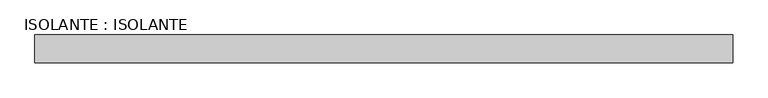
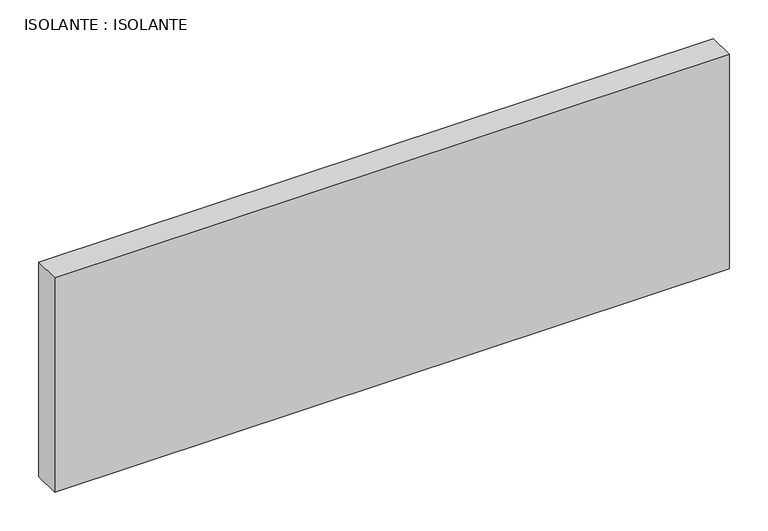
"""IFC4 building model written with IfcOpenShell, lengths in millimetres: plate geometry, ISOLANTE : ISOLANTE."""

from ifc_helpers import new_model, si_unit, origin, origin_with_axes, place, context, project, spatial, polyline, outline, extrude, source, transform, mapped, element, save


def isolante_isolante_895ae26b(model_context):
    return source(origin(), model_context, "Body", "SweptSolid", [
        extrude(outline(polyline([(-500.0, 0.0), (-500.0, 40.0), (500.0, 40.0), (500.0, 0.0), (-500.0, 0.0)])), origin_with_axes(), (0.0, 0.0, 1.0), 335.7555928),
    ])


if __name__ == "__main__":
    model = new_model("IFC4")
    model_context = context("Model", 3, world=origin())
    ifc_project = project(units=[si_unit("LENGTHUNIT", "METRE", prefix="MILLI")], contexts=[model_context])
    site = spatial("IfcSite", under=ifc_project)
    building = spatial("IfcBuilding", under=site)
    placement = place(None, origin())
    isolante_isolante_shape = isolante_isolante_895ae26b(model_context)
    element("IfcPlate", 1, ObjectType="ISOLANTE : ISOLANTE", at=placement, inside=building, context=model_context, shape_type="MappedRepresentation", body=[
        mapped(isolante_isolante_shape, transform((0.0, 0.0, 0.0), x_axis=(1.0, 0.0, 0.0), y_axis=(0.0, 1.0, 0.0), z_axis=(0.0, 0.0, 1.0))),
    ])
    save(model, "model.ifc")
